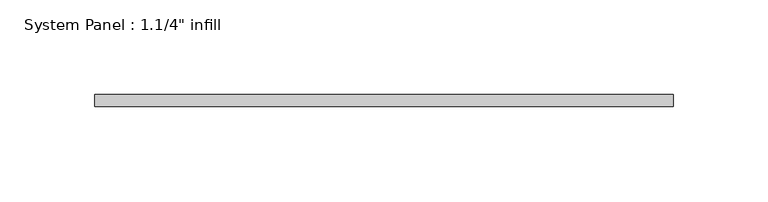
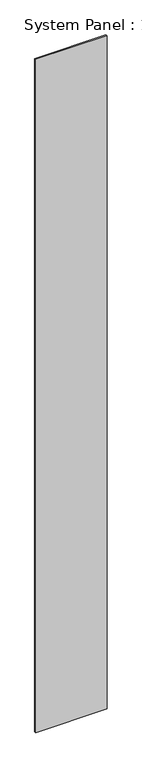
"""IFC4 building model written with IfcOpenShell, lengths in millimetres: plate geometry."""

from ifc_helpers import new_model, si_unit, origin, origin_with_axes, place, context, project, spatial, polyline, outline, extrude, source, transform, mapped, element, save


def plate_e75d56ea(model_context):
    return source(origin(), model_context, "Body", "SweptSolid", [
        extrude(outline(polyline([(153.0849179, -0.0992187), (-153.0849179, -0.0992187), (-153.0849179, 6.2507813), (153.0849179, 6.2507813), (153.0849179, -0.0992187)])), origin_with_axes(), (0.0, 0.0, 1.0), 3048.0),
    ])


if __name__ == "__main__":
    model = new_model("IFC4")
    model_context = context("Model", 3, world=origin())
    ifc_project = project(units=[si_unit("LENGTHUNIT", "METRE", prefix="MILLI")], contexts=[model_context])
    site = spatial("IfcSite", under=ifc_project)
    building = spatial("IfcBuilding", under=site)
    placement = place(None, origin())
    plate_shape = plate_e75d56ea(model_context)
    element("IfcPlate", 1, ObjectType="System Panel : 1.1/4\" infill", at=placement, inside=building, context=model_context, shape_type="MappedRepresentation", body=[
        mapped(plate_shape, transform((0.0, 0.0, 0.0), x_axis=(1.0, 0.0, 0.0), y_axis=(0.0, 1.0, 0.0), z_axis=(0.0, 0.0, 1.0))),
    ])
    save(model, "model.ifc")
